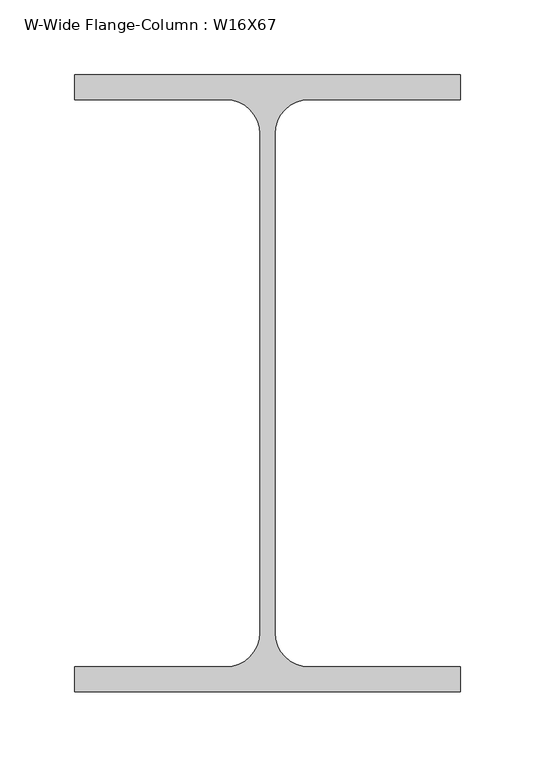
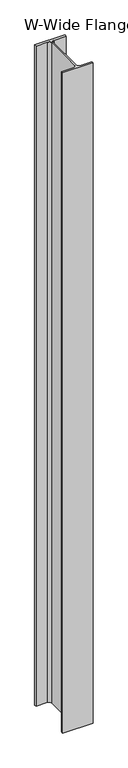
"""IFC4 building model written with IfcOpenShell, lengths in millimetres: column geometry, W-Wide Flange-Column : W16X67."""

from ifc_helpers import new_model, si_unit, point, frame_2d, origin, origin_with_axes, place, context, project, spatial, polyline, circle_curve, trimmed, segment, composite_curve, outline, extrude, source, transform, mapped, element, save


def w_wide_flange_column_w16x67_19adc04c(model_context):
    return source(origin(), model_context, "Body", "SweptSolid", [
        extrude(outline(composite_curve([segment(polyline([(129.5300781, 207.0199219), (129.5300781, 190.1527344), (27.8308594, 190.1527344)]), True, "CONTINUOUS"), segment(trimmed(circle_curve(frame_2d((27.8308594, 167.3324219)), 22.8203125), [point((27.8308594, 190.1527344))], [point((5.0105469, 167.3324219))], True, "CARTESIAN"), True, "CONTINUOUS"), segment(polyline([(5.0105469, 167.3324219), (5.0105469, -167.3324219)]), True, "CONTINUOUS"), segment(trimmed(circle_curve(frame_2d((27.8308594, -167.3324219)), 22.8203125), [point((5.0105469, -167.3324219))], [point((27.8308594, -190.1527344))], True, "CARTESIAN"), True, "CONTINUOUS"), segment(polyline([(27.8308594, -190.1527344), (129.5300781, -190.1527344), (129.5300781, -207.0199219), (-129.5300781, -207.0199219), (-129.5300781, -190.1527344), (-27.8308594, -190.1527344)]), True, "CONTINUOUS"), segment(trimmed(circle_curve(frame_2d((-27.8308594, -167.3324219)), 22.8203125), [point((-27.8308594, -190.1527344))], [point((-5.0105469, -167.3324219))], True, "CARTESIAN"), True, "CONTINUOUS"), segment(polyline([(-5.0105469, -167.3324219), (-5.0105469, 167.3324219)]), True, "CONTINUOUS"), segment(trimmed(circle_curve(frame_2d((-27.8308594, 167.3324219)), 22.8203125), [point((-5.0105469, 167.3324219))], [point((-27.8308594, 190.1527344))], True, "CARTESIAN"), True, "CONTINUOUS"), segment(polyline([(-27.8308594, 190.1527344), (-129.5300781, 190.1527344), (-129.5300781, 207.0199219), (129.5300781, 207.0199219)]), True, "CONTINUOUS")], self_intersect=False)), origin_with_axes(), (0.0, 0.0, 1.0), 5943.6),
    ])


if __name__ == "__main__":
    model = new_model("IFC4")
    model_context = context("Model", 3, world=origin())
    ifc_project = project(units=[si_unit("LENGTHUNIT", "METRE", prefix="MILLI")], contexts=[model_context])
    site = spatial("IfcSite", under=ifc_project)
    building = spatial("IfcBuilding", under=site)
    placement = place(None, origin())
    w_wide_flange_column_w16x67_shape = w_wide_flange_column_w16x67_19adc04c(model_context)
    element("IfcColumn", 1, ObjectType="W-Wide Flange-Column : W16X67", at=placement, inside=building, context=model_context, shape_type="MappedRepresentation", body=[
        mapped(w_wide_flange_column_w16x67_shape, transform((0.0, 0.0, 0.0), x_axis=(1.0, 0.0, 0.0), y_axis=(0.0, 1.0, 0.0), z_axis=(0.0, 0.0, 1.0))),
    ])
    save(model, "model.ifc")
